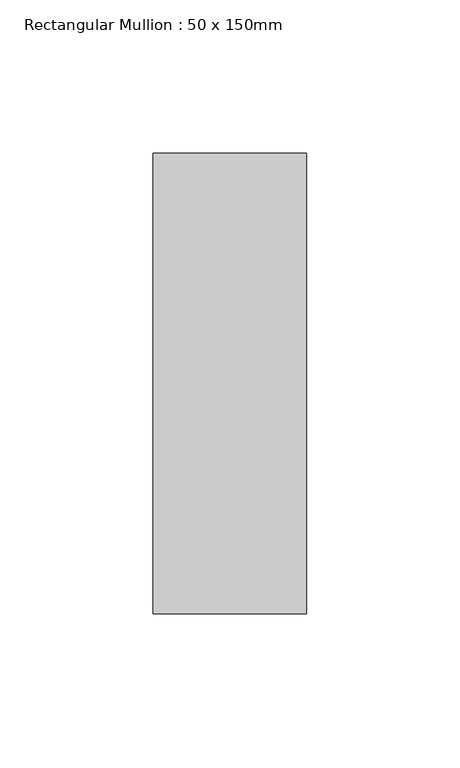
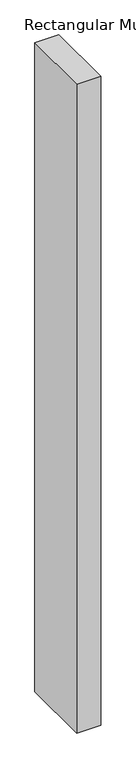
"""IFC4 building model written with IfcOpenShell, lengths in millimetres: member geometry, Rectangular Mullion : 50 x 150mm."""

from ifc_helpers import new_model, si_unit, frame, origin, place, context, project, spatial, polyline, outline, extrude, source, transform, mapped, element, save


def rectangular_mullion_50_x_150mm_acb4c03f(model_context):
    return source(origin(), model_context, "Body", "SweptSolid", [
        extrude(outline(polyline([(25.0, 75.0), (25.0, -75.0), (-25.0, -75.0), (-25.0, 75.0), (25.0, 75.0)])), frame((0.0, 0.0, -1425.0000002), z_axis=(0.0, 0.0, 1.0), x_axis=(1.0, 0.0, 0.0)), (0.0, 0.0, 1.0), 1425.0000002),
    ])


if __name__ == "__main__":
    model = new_model("IFC4")
    model_context = context("Model", 3, world=origin())
    ifc_project = project(units=[si_unit("LENGTHUNIT", "METRE", prefix="MILLI")], contexts=[model_context])
    site = spatial("IfcSite", under=ifc_project)
    building = spatial("IfcBuilding", under=site)
    placement = place(None, origin())
    rectangular_mullion_50_x_150mm_shape = rectangular_mullion_50_x_150mm_acb4c03f(model_context)
    element("IfcMember", 1, ObjectType="Rectangular Mullion : 50 x 150mm", at=placement, inside=building, context=model_context, shape_type="MappedRepresentation", body=[
        mapped(rectangular_mullion_50_x_150mm_shape, transform((0.0, 0.0, 0.0), x_axis=(1.0, 0.0, 0.0), y_axis=(0.0, 1.0, 0.0), z_axis=(0.0, 0.0, 1.0))),
    ])
    save(model, "model.ifc")
